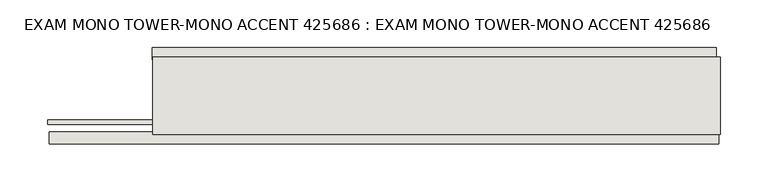
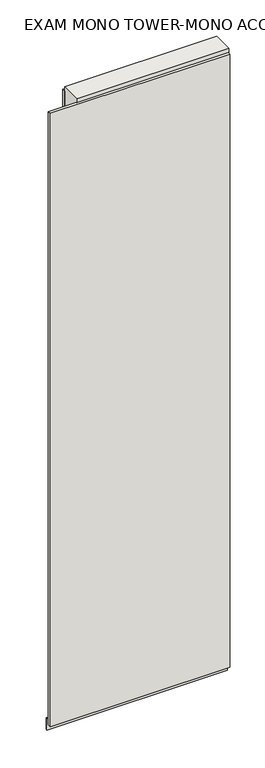
"""IFC4 building model written with IfcOpenShell, lengths in millimetres: wall geometry, EXAM MONO TOWER-MONO ACCENT 425686 : EXAM MONO TOWER-MONO ACCENT 425686."""

import ifcopenshell
import ifcopenshell.guid

model = None  # the IFC model being written
_history = None  # IfcOwnerHistory: only IFC2X3 demands one
_inside = {}  # id of a spatial element -> (the spatial element, [elements in it])
_under = {}  # id of a project, library or spatial element -> (it, [spatial elements below it])
_declared = {}  # id of a project -> (the project, [libraries it declares])
_typed = {}  # id of a type object -> (the type object, [elements of that type])
_made_of = {}  # id of a material, layer set ... -> (it, [elements and type objects made of it])


def new_model(schema):
    """Start an empty IFC model of exactly this schema.

    Asked for "IFC4X3", IfcOpenShell would pick the latest addendum, in which some entities
    have other attributes; the version numbers below select the first issue.
    IFC2X3 requires an IfcOwnerHistory on every rooted entity: one is made here for all.
    """
    global model, _history
    if schema == "IFC4X3":
        model = ifcopenshell.file(schema_version=(4, 3, 0, 0))
    else:
        model = ifcopenshell.file(schema=schema)
    _inside.clear()
    _under.clear()
    _declared.clear()
    _typed.clear()
    _made_of.clear()
    _history = None
    if model.schema == "IFC2X3":
        org = make("IfcOrganization", Name="unknown")
        user = make(
            "IfcPersonAndOrganization",
            ThePerson=make("IfcPerson", FamilyName="unknown"),
            TheOrganization=org,
        )
        app = make(
            "IfcApplication",
            ApplicationDeveloper=org,
            Version="unknown",
            ApplicationFullName="unknown",
            ApplicationIdentifier="unknown",
        )
        _history = make(
            "IfcOwnerHistory",
            OwningUser=user,
            OwningApplication=app,
            ChangeAction="ADDED",
            CreationDate=0,
        )
    return model


def make(cls, **values):
    """One entity of the class cls with the attributes given. An attribute that is None is left unset."""
    return model.create_entity(
        cls, **{name: value for name, value in values.items() if value is not None}
    )


def rooted(cls, **values):
    """An entity with a GlobalId (a new one), such as an element, a storey or a relation."""
    return make(cls, GlobalId=ifcopenshell.guid.new(), OwnerHistory=_history, **values)


def si_unit(unit_type, name, prefix=None):
    """IfcSIUnit, for example si_unit("LENGTHUNIT", "METRE", prefix="MILLI")."""
    return make("IfcSIUnit", UnitType=unit_type, Prefix=prefix, Name=name)


def assignment(units):
    """IfcUnitAssignment: the units of a project."""
    return None if units is None else make("IfcUnitAssignment", Units=units)


def point(xyz):
    """IfcCartesianPoint."""
    return None if xyz is None else make("IfcCartesianPoint", Coordinates=xyz)


def direction(xyz):
    """IfcDirection."""
    return None if xyz is None else make("IfcDirection", DirectionRatios=xyz)


def frame(location, z_axis=None, x_axis=None):
    """IfcAxis2Placement3D, a coordinate frame: its origin and axes. An axis left out is left unset."""
    return make(
        "IfcAxis2Placement3D",
        Location=point(location),
        Axis=direction(z_axis),
        RefDirection=direction(x_axis),
    )


def origin():
    """The frame at (0, 0, 0) with its axes left unset."""
    return frame((0.0, 0.0, 0.0))


def place(relative_to, where):
    """IfcLocalPlacement: puts the frame where relative to a parent placement (None: the world)."""
    return make(
        "IfcLocalPlacement", PlacementRelTo=relative_to, RelativePlacement=where
    )


def context(
    kind, dimensions, precision=None, world=None, true_north=None, identifier=None
):
    """IfcGeometricRepresentationContext, for example the 3D "Model" context."""
    return make(
        "IfcGeometricRepresentationContext",
        ContextIdentifier=identifier,
        ContextType=kind,
        CoordinateSpaceDimension=dimensions,
        Precision=precision,
        WorldCoordinateSystem=world,
        TrueNorth=true_north,
    )


def project(units=None, contexts=None):
    """IfcProject with its units and contexts."""
    return rooted(
        "IfcProject",
        Name="project",
        RepresentationContexts=contexts,
        UnitsInContext=assignment(units),
    )


def spatial(cls, under=None, at=None, **own):
    """A site, building, storey or space (cls), placed at a placement, below another one or the project."""
    s = rooted(cls, ObjectPlacement=at, **own)
    if under is not None:
        _under.setdefault(under.id(), (under, []))[1].append(s)
    return s


def polyline(points):
    """IfcPolyline through the points."""
    return make("IfcPolyline", Points=[point(p) for p in points])


def outline(outer, holes=None, kind="AREA"):
    """IfcArbitraryClosedProfileDef: a profile drawn as a closed curve; with holes, ...WithVoids."""
    if holes is None:
        return make("IfcArbitraryClosedProfileDef", ProfileType=kind, OuterCurve=outer)
    return make(
        "IfcArbitraryProfileDefWithVoids",
        ProfileType=kind,
        OuterCurve=outer,
        InnerCurves=holes,
    )


def extrude(swept, where, along, depth):
    """IfcExtrudedAreaSolid: the profile swept, set in the frame where, extruded along a direction by depth."""
    return make(
        "IfcExtrudedAreaSolid",
        SweptArea=swept,
        Position=where,
        ExtrudedDirection=direction(along),
        Depth=depth,
    )


def shape(context_of_items, identifier, shape_type, items):
    """IfcShapeRepresentation: the items that make up one representation, for example the "Body"."""
    return make(
        "IfcShapeRepresentation",
        ContextOfItems=context_of_items,
        RepresentationIdentifier=identifier,
        RepresentationType=shape_type,
        Items=items,
    )


def source(mapping_origin, context_of_items, identifier, shape_type, items):
    """IfcRepresentationMap: a shape defined once, which mapped items show again and again."""
    return make(
        "IfcRepresentationMap",
        MappingOrigin=mapping_origin,
        MappedRepresentation=shape(context_of_items, identifier, shape_type, items),
    )


def transform(
    local_origin,
    x_axis=None,
    y_axis=None,
    z_axis=None,
    scale=None,
    scale2=None,
    scale3=None,
    uniform=True,
):
    """IfcCartesianTransformationOperator3D, or its non-uniform kind. x_axis, y_axis, z_axis: its Axis1, 2, 3."""
    if uniform:
        return make(
            "IfcCartesianTransformationOperator3D",
            Axis1=direction(x_axis),
            Axis2=direction(y_axis),
            LocalOrigin=point(local_origin),
            Scale=scale,
            Axis3=direction(z_axis),
        )
    return make(
        "IfcCartesianTransformationOperator3DnonUniform",
        Axis1=direction(x_axis),
        Axis2=direction(y_axis),
        LocalOrigin=point(local_origin),
        Scale=scale,
        Axis3=direction(z_axis),
        Scale2=scale2,
        Scale3=scale3,
    )


def mapped(mapping_source, mapping_target):
    """IfcMappedItem: shows the shape of a source again, moved by a transform."""
    return make(
        "IfcMappedItem", MappingSource=mapping_source, MappingTarget=mapping_target
    )


def made_of(thing, what):
    """Note that an element or type object is made of a material, layer set ...; save() writes the relation."""
    if what is not None:
        _made_of.setdefault(what.id(), (what, []))[1].append(thing)
    return thing


def element(
    cls,
    number,
    at=None,
    inside=None,
    cuts=None,
    type_object=None,
    material=None,
    context=None,
    identifier="Body",
    shape_type=None,
    held_by="IfcProductDefinitionShape",
    body=None,
    shapes=None,
    **own,
):
    """One element of the class cls, such as IfcWall. Its Tag is "e" and its number.

    at: its placement. inside: the storey or other place that contains it. cuts: it is an
    opening in that element (IfcRelVoidsElement). A single representation is given by context,
    identifier, shape_type and body (its items); several are given by shapes. held_by: the class
    of the entity that holds the representations. save() writes the other relations.
    """
    e = rooted(cls, Tag="e%d" % number, ObjectPlacement=at, **own)
    if body is not None:
        shapes = [shape(context, identifier, shape_type, body)]
    if shapes is not None:
        e.Representation = make(held_by, Representations=shapes)
    if inside is not None:
        _inside.setdefault(inside.id(), (inside, []))[1].append(e)
    if cuts is not None:
        rooted(
            "IfcRelVoidsElement", RelatingBuildingElement=cuts, RelatedOpeningElement=e
        )
    if type_object is not None:
        _typed.setdefault(type_object.id(), (type_object, []))[1].append(e)
    return made_of(e, material)


def aggregate(whole, parts):
    """IfcRelAggregates: a whole, such as a stair, and the parts it consists of."""
    return rooted("IfcRelAggregates", RelatingObject=whole, RelatedObjects=parts)


def save(model, path):
    """Write the relations noted so far, then the file.

    IfcRelAggregates (storeys below a building ...), IfcRelContainedInSpatialStructure (elements
    in a storey), IfcRelDefinesByType, IfcRelAssociatesMaterial and IfcRelDeclares: one each for
    every whole, place, type object, material and project.
    """
    for whole, parts in _under.values():
        aggregate(whole, parts)
    for where, things in _inside.values():
        rooted(
            "IfcRelContainedInSpatialStructure",
            RelatedElements=things,
            RelatingStructure=where,
        )
    for kind, things in _typed.values():
        rooted("IfcRelDefinesByType", RelatedObjects=things, RelatingType=kind)
    for what, things in _made_of.values():
        rooted("IfcRelAssociatesMaterial", RelatedObjects=things, RelatingMaterial=what)
    for by, libraries in _declared.values():
        rooted("IfcRelDeclares", RelatingContext=by, RelatedDefinitions=libraries)
    model.write(path)


def exam_mono_tower_mono_accent_425686_exam_mono_tower_mono_fa724afc(model_context):
    return source(origin(), model_context, "Body", "SweptSolid", [
        extrude(outline(polyline([(70959.8187608, -43072.0636398), (70962.3587608, -43072.0636398), (70962.3587608, -43074.6036398), (70959.8187608, -43074.6036398), (70959.8187608, -43072.0636398)])), frame((0.0, 0.0, 4419.6), z_axis=(0.0, 0.0, 1.0), x_axis=(1.0, 0.0, 0.0)), (0.0, 0.0, 1.0), 2.54),
        extrude(outline(polyline([(70960.357952, -43124.1336398), (70256.857962, -43124.1336398), (70256.857962, -43111.4336398), (70960.357952, -43111.4336398), (70960.357952, -43124.1336398)])), frame((0.0, 0.0, 4445.0), z_axis=(0.0, 0.0, 1.0), x_axis=(1.0, 0.0, 0.0)), (0.0, 0.0, 1.0), 2545.0498756),
        extrude(outline(polyline([(70364.9981572, -43022.5336398), (70957.8981144, -43022.5336398), (70957.8981144, -43035.2336398), (70364.9981572, -43035.2336398), (70364.9981572, -43022.5336398)])), frame((0.0, 0.0, 4445.0), z_axis=(0.0, 0.0, 1.0), x_axis=(1.0, 0.0, 0.0)), (0.0, 0.0, 1.0), 2545.0498756),
        extrude(outline(polyline([(70254.849711, -43098.4142856), (70962.366203, -43098.4142856), (70962.366203, -43103.4961398), (70254.849711, -43103.4961398), (70254.849711, -43098.4142856)])), frame((0.0, 0.0, 4418.6602), z_axis=(0.0, 0.0, 1.0), x_axis=(1.0, 0.0, 0.0)), (0.0, 0.0, 1.0), 47.625),
        extrude(outline(polyline([(70254.849711, -43098.4142856), (70962.366203, -43098.4142856), (70962.366203, -43103.4961398), (70254.849711, -43103.4961398), (70254.849711, -43098.4142856)])), frame((0.0, 0.0, 4418.6602), z_axis=(0.0, 0.0, 1.0), x_axis=(1.0, 0.0, 0.0)), (0.0, 0.0, 1.0), 47.625),
        extrude(outline(polyline([(70962.366203, -43048.2498952), (70365.466203, -43048.2498952), (70365.466203, -43043.1711398), (70962.366203, -43043.1711398), (70962.366203, -43048.2498952)])), frame((0.0, 0.0, 4418.6602), z_axis=(0.0, 0.0, 1.0), x_axis=(1.0, 0.0, 0.0)), (0.0, 0.0, 1.0), 47.625),
        extrude(outline(polyline([(70962.366203, -43048.2498952), (70365.466203, -43048.2498952), (70365.466203, -43043.1711398), (70962.366203, -43043.1711398), (70962.366203, -43048.2498952)])), frame((0.0, 0.0, 4418.6602), z_axis=(0.0, 0.0, 1.0), x_axis=(1.0, 0.0, 0.0)), (0.0, 0.0, 1.0), 47.625),
        extrude(outline(polyline([(70365.466203, -43113.9854254), (70365.466203, -43032.70667), (70962.366203, -43032.70667), (70962.366203, -43113.9854254), (70365.466203, -43113.9854254)])), frame((0.0, 0.0, 4445.0), z_axis=(0.0, 0.0, 1.0), x_axis=(1.0, 0.0, 0.0)), (0.0, 0.0, 1.0), 2562.4536762),
    ])


if __name__ == "__main__":
    model = new_model("IFC4")
    model_context = context("Model", 3, world=origin())
    ifc_project = project(units=[si_unit("LENGTHUNIT", "METRE", prefix="MILLI")], contexts=[model_context])
    site = spatial("IfcSite", under=ifc_project)
    building = spatial("IfcBuilding", under=site)
    placement = place(None, origin())
    exam_mono_tower_mono_accent_425686_exam_mono_tower_mono_shape = exam_mono_tower_mono_accent_425686_exam_mono_tower_mono_fa724afc(model_context)
    element("IfcWall", 1, ObjectType="EXAM MONO TOWER-MONO ACCENT 425686 : EXAM MONO TOWER-MONO ACCENT 425686", at=placement, inside=building, context=model_context, shape_type="MappedRepresentation", body=[
        mapped(exam_mono_tower_mono_accent_425686_exam_mono_tower_mono_shape, transform((0.0, 0.0, 0.0), x_axis=(1.0, 0.0, 0.0), y_axis=(0.0, 1.0, 0.0), z_axis=(0.0, 0.0, 1.0))),
    ])
    save(model, "model.ifc")
